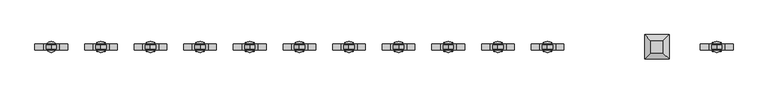
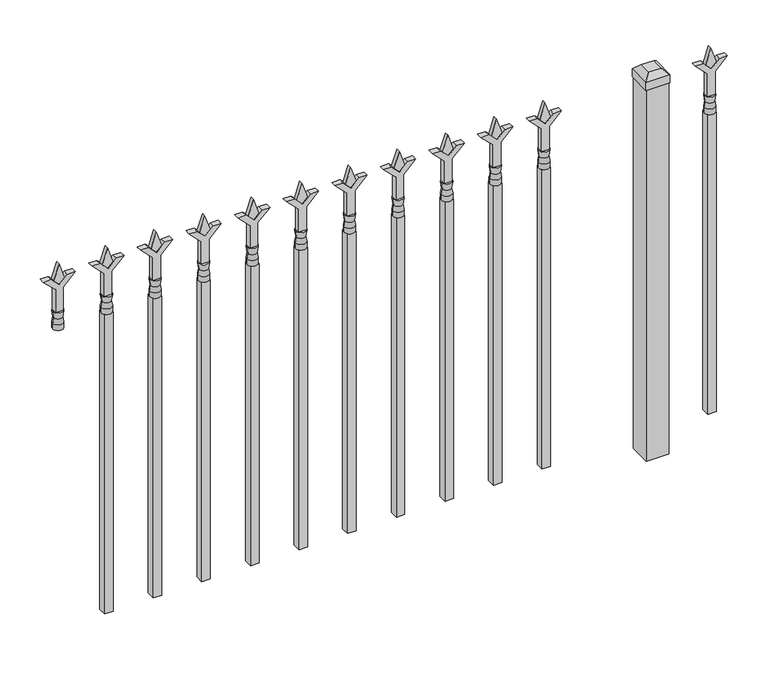
"""IFC4 building model written with IfcOpenShell, lengths in millimetres: railing geometry."""

from ifc_helpers import new_model, si_unit, frame, origin, origin_with_axes, place, context, project, spatial, polyline, circle_curve, outline, extrude, faceted_brep, source, transform, mapped, element, save
from ifc_brep_helpers import plane_surface, cylinder_surface, revolved_surface, advanced_brep


def railing_83fd5f95(model_context):
    return source(origin(), model_context, "Body", "SolidModel", [
        extrude(outline(polyline([(878.68125, -90081.449337), (914.4, -90093.355587), (878.68125, -90105.261837), (866.775, -90093.355587), (878.68125, -90081.449337)])), frame((0.0, -640.0195174, 0.0), z_axis=(0.0, 1.0, 0.0), x_axis=(0.0, 0.0, 1.0)), (0.0, 0.0, 1.0), 9.525),
        extrude(outline(polyline([(803.275, -90084.624337), (857.5457378, -90084.624337), (884.7355122, -90057.4345625), (884.7355122, -90075.3950747), (866.775, -90093.355587), (884.7355122, -90111.3160992), (884.7355122, -90129.2766114), (857.5457378, -90102.086837), (803.275, -90102.086837), (803.275, -90084.624337)])), frame((0.0, -641.6070174, 0.0), z_axis=(0.0, 1.0, 0.0), x_axis=(0.0, 0.0, 1.0)), (0.0, 0.0, 1.0), 12.7),
        advanced_brep(
        [(-90081.449337, -635.2570174, 774.7), (-90105.261837, -635.2570174, 774.7), (-90105.261837, -635.2570174, 762.0), (-90081.449337, -635.2570174, 762.0), (-90083.6546688, -635.2570174, 787.2070585), (-90103.0565051, -635.2570174, 787.2070585), (-90081.449337, -635.2570174, 803.275), (-90105.261837, -635.2570174, 803.275), (-90093.355587, -635.2570174, 803.275), (-90093.355587, -635.2570174, 762.0)],
        [
            (0, 1, circle_curve(frame((-90093.355587, -635.2570174, 774.7), z_axis=(0.0, 0.0, -1.0), x_axis=(-1.0, 0.0, 0.0)), 11.90625)),
            (1, 2),
            (2, 3, circle_curve(frame((-90093.355587, -635.2570174, 762.0), z_axis=(0.0, 0.0, 1.0), x_axis=(-1.0, 0.0, 0.0)), 11.90625)),
            (3, 0),
            (1, 0, circle_curve(frame((-90093.355587, -635.2570174, 774.7), z_axis=(0.0, 0.0, -1.0), x_axis=(-1.0, 0.0, 0.0)), 11.90625)),
            (3, 2, circle_curve(frame((-90093.355587, -635.2570174, 762.0), z_axis=(0.0, 0.0, 1.0), x_axis=(-1.0, 0.0, 0.0)), 11.90625)),
            (4, 5, circle_curve(frame((-90093.355587, -635.2570174, 787.2070585), z_axis=(0.0, 0.0, -1.0), x_axis=(-1.0, 0.0, 0.0)), 9.7009181)),
            (5, 1),
            (0, 4),
            (5, 4, circle_curve(frame((-90093.355587, -635.2570174, 787.2070585), z_axis=(0.0, 0.0, -1.0), x_axis=(-1.0, 0.0, 0.0)), 9.7009181)),
            (6, 7, circle_curve(frame((-90093.355587, -635.2570174, 803.275), z_axis=(0.0, 0.0, -1.0), x_axis=(-1.0, 0.0, 0.0)), 11.90625)),
            (7, 5),
            (4, 6),
            (7, 6, circle_curve(frame((-90093.355587, -635.2570174, 803.275), z_axis=(0.0, 0.0, -1.0), x_axis=(-1.0, 0.0, 0.0)), 11.90625)),
            (8, 7),
            (6, 8),
            (2, 9),
            (9, 3),
        ],
        [
            cylinder_surface(frame((-90093.355587, -635.2570174, 762.0), z_axis=(0.0, 0.0, 1.0), x_axis=(-1.0, 0.0, 0.0)), 11.90625),
            revolved_surface(polyline([(-90105.261837, -635.2570174, 774.7), (-90103.0565051, -635.2570174, 787.2070585)]), (-90093.355587, -635.2570174, 762.0), (0.0, 0.0, 1.0)),
            revolved_surface(polyline([(-90103.0565051, -635.2570174, 787.2070585), (-90105.261837, -635.2570174, 803.275)]), (-90093.355587, -635.2570174, 762.0), (0.0, 0.0, 1.0)),
            plane_surface(frame((-90093.355587, -635.2570174, 803.275), z_axis=(0.0, 0.0, 1.0), x_axis=(-1.0, 0.0, 0.0))),
            plane_surface(frame((-90093.355587, -635.2570174, 762.0), z_axis=(0.0, 0.0, -1.0), x_axis=(-1.0, 0.0, 0.0))),
        ],
        [
            (0, [[1, 2, 3, 4]]),
            (0, [[5, -4, 6, -2]]),
            (1, [[7, 8, -1, 9]]),
            (1, [[10, -9, -5, -8]]),
            (2, [[11, 12, -7, 13]]),
            (2, [[14, -13, -10, -12]]),
            (3, [[15, -11, 16]]),
            (3, [[-16, -14, -15]]),
            (4, [[-3, 17, 18]]),
            (4, [[-6, -18, -17]]),
        ],
    ),
        extrude(outline(polyline([(-90102.880587, -625.7320174), (-90083.830587, -625.7320174), (-90083.830587, -644.7820174), (-90102.880587, -644.7820174), (-90102.880587, -625.7320174)])), frame((0.0, 0.0, 50.8), z_axis=(0.0, 0.0, 1.0), x_axis=(1.0, 0.0, 0.0)), (0.0, 0.0, 1.0), 711.2),
        faceted_brep([(-90252.105587, -608.2695174, 901.7), (-90252.105587, -608.2695174, 882.65), (-90252.105587, -662.2445174, 882.65), (-90252.105587, -662.2445174, 901.7), (-90239.405587, -620.9695174, 914.4), (-90239.405587, -649.5445174, 914.4), (-90198.130587, -662.2445174, 882.65), (-90198.130587, -662.2445174, 901.7), (-90210.830587, -649.5445174, 914.4), (-90198.130587, -608.2695174, 882.65), (-90198.130587, -608.2695174, 901.7), (-90210.830587, -620.9695174, 914.4)], [[[0, 1, 2, 3]], [[4, 0, 3, 5]], [[3, 2, 6, 7]], [[5, 3, 7, 8]], [[7, 6, 9, 10]], [[8, 7, 10, 11]], [[10, 9, 1, 0]], [[11, 10, 0, 4]], [[5, 8, 11, 4]], [[1, 9, 6, 2]]]),
        extrude(outline(polyline([(-90199.718087, -609.8570174), (-90199.718087, -660.6570174), (-90250.518087, -660.6570174), (-90250.518087, -609.8570174), (-90199.718087, -609.8570174)])), origin_with_axes(), (0.0, 0.0, 1.0), 882.65),
        extrude(outline(polyline([(878.68125, -90454.2472536), (914.4, -90466.1535036), (878.68125, -90478.0597536), (866.775, -90466.1535036), (878.68125, -90454.2472536)])), frame((0.0, -640.0195174, 0.0), z_axis=(0.0, 1.0, 0.0), x_axis=(0.0, 0.0, 1.0)), (0.0, 0.0, 1.0), 9.525),
        extrude(outline(polyline([(803.275, -90457.4222536), (857.5457378, -90457.4222536), (884.7355122, -90430.2324791), (884.7355122, -90448.1929914), (866.775, -90466.1535036), (884.7355122, -90484.1140159), (884.7355122, -90502.0745281), (857.5457378, -90474.8847536), (803.275, -90474.8847536), (803.275, -90457.4222536)])), frame((0.0, -641.6070174, 0.0), z_axis=(0.0, 1.0, 0.0), x_axis=(0.0, 0.0, 1.0)), (0.0, 0.0, 1.0), 12.7),
        advanced_brep(
        [(-90454.2472536, -635.2570174, 774.7), (-90478.0597536, -635.2570174, 774.7), (-90478.0597536, -635.2570174, 762.0), (-90454.2472536, -635.2570174, 762.0), (-90456.4525855, -635.2570174, 787.2070585), (-90475.8544218, -635.2570174, 787.2070585), (-90454.2472536, -635.2570174, 803.275), (-90478.0597536, -635.2570174, 803.275), (-90466.1535036, -635.2570174, 803.275), (-90466.1535036, -635.2570174, 762.0)],
        [
            (0, 1, circle_curve(frame((-90466.1535036, -635.2570174, 774.7), z_axis=(0.0, 0.0, -1.0), x_axis=(-1.0, 0.0, 0.0)), 11.90625)),
            (1, 2),
            (2, 3, circle_curve(frame((-90466.1535036, -635.2570174, 762.0), z_axis=(0.0, 0.0, 1.0), x_axis=(-1.0, 0.0, 0.0)), 11.90625)),
            (3, 0),
            (1, 0, circle_curve(frame((-90466.1535036, -635.2570174, 774.7), z_axis=(0.0, 0.0, -1.0), x_axis=(-1.0, 0.0, 0.0)), 11.90625)),
            (3, 2, circle_curve(frame((-90466.1535036, -635.2570174, 762.0), z_axis=(0.0, 0.0, 1.0), x_axis=(-1.0, 0.0, 0.0)), 11.90625)),
            (4, 5, circle_curve(frame((-90466.1535036, -635.2570174, 787.2070585), z_axis=(0.0, 0.0, -1.0), x_axis=(-1.0, 0.0, 0.0)), 9.7009181)),
            (5, 1),
            (0, 4),
            (5, 4, circle_curve(frame((-90466.1535036, -635.2570174, 787.2070585), z_axis=(0.0, 0.0, -1.0), x_axis=(-1.0, 0.0, 0.0)), 9.7009181)),
            (6, 7, circle_curve(frame((-90466.1535036, -635.2570174, 803.275), z_axis=(0.0, 0.0, -1.0), x_axis=(-1.0, 0.0, 0.0)), 11.90625)),
            (7, 5),
            (4, 6),
            (7, 6, circle_curve(frame((-90466.1535036, -635.2570174, 803.275), z_axis=(0.0, 0.0, -1.0), x_axis=(-1.0, 0.0, 0.0)), 11.90625)),
            (8, 7),
            (6, 8),
            (2, 9),
            (9, 3),
        ],
        [
            cylinder_surface(frame((-90466.1535036, -635.2570174, 762.0), z_axis=(0.0, 0.0, 1.0), x_axis=(-1.0, 0.0, 0.0)), 11.90625),
            revolved_surface(polyline([(-90478.0597536, -635.2570174, 774.7), (-90475.8544218, -635.2570174, 787.2070585)]), (-90466.1535036, -635.2570174, 762.0), (0.0, 0.0, 1.0)),
            revolved_surface(polyline([(-90475.8544218, -635.2570174, 787.2070585), (-90478.0597536, -635.2570174, 803.275)]), (-90466.1535036, -635.2570174, 762.0), (0.0, 0.0, 1.0)),
            plane_surface(frame((-90466.1535036, -635.2570174, 803.275), z_axis=(0.0, 0.0, 1.0), x_axis=(-1.0, 0.0, 0.0))),
            plane_surface(frame((-90466.1535036, -635.2570174, 762.0), z_axis=(0.0, 0.0, -1.0), x_axis=(-1.0, 0.0, 0.0))),
        ],
        [
            (0, [[1, 2, 3, 4]]),
            (0, [[5, -4, 6, -2]]),
            (1, [[7, 8, -1, 9]]),
            (1, [[10, -9, -5, -8]]),
            (2, [[11, 12, -7, 13]]),
            (2, [[14, -13, -10, -12]]),
            (3, [[15, -11, 16]]),
            (3, [[-16, -14, -15]]),
            (4, [[-3, 17, 18]]),
            (4, [[-6, -18, -17]]),
        ],
    ),
        extrude(outline(polyline([(-90475.6785036, -625.7320174), (-90456.6285036, -625.7320174), (-90456.6285036, -644.7820174), (-90475.6785036, -644.7820174), (-90475.6785036, -625.7320174)])), frame((0.0, 0.0, 50.8), z_axis=(0.0, 0.0, 1.0), x_axis=(1.0, 0.0, 0.0)), (0.0, 0.0, 1.0), 711.2),
        extrude(outline(polyline([(878.68125, -90563.5201703), (914.4, -90575.4264203), (878.68125, -90587.3326703), (866.775, -90575.4264203), (878.68125, -90563.5201703)])), frame((0.0, -640.0195174, 0.0), z_axis=(0.0, 1.0, 0.0), x_axis=(0.0, 0.0, 1.0)), (0.0, 0.0, 1.0), 9.525),
        extrude(outline(polyline([(803.275, -90566.6951703), (857.5457378, -90566.6951703), (884.7355122, -90539.5053958), (884.7355122, -90557.4659081), (866.775, -90575.4264203), (884.7355122, -90593.3869325), (884.7355122, -90611.3474448), (857.5457378, -90584.1576703), (803.275, -90584.1576703), (803.275, -90566.6951703)])), frame((0.0, -641.6070174, 0.0), z_axis=(0.0, 1.0, 0.0), x_axis=(0.0, 0.0, 1.0)), (0.0, 0.0, 1.0), 12.7),
        advanced_brep(
        [(-90563.5201703, -635.2570174, 774.7), (-90587.3326703, -635.2570174, 774.7), (-90587.3326703, -635.2570174, 762.0), (-90563.5201703, -635.2570174, 762.0), (-90565.7255022, -635.2570174, 787.2070585), (-90585.1273384, -635.2570174, 787.2070585), (-90563.5201703, -635.2570174, 803.275), (-90587.3326703, -635.2570174, 803.275), (-90575.4264203, -635.2570174, 803.275), (-90575.4264203, -635.2570174, 762.0)],
        [
            (0, 1, circle_curve(frame((-90575.4264203, -635.2570174, 774.7), z_axis=(0.0, 0.0, -1.0), x_axis=(-1.0, 0.0, 0.0)), 11.90625)),
            (1, 2),
            (2, 3, circle_curve(frame((-90575.4264203, -635.2570174, 762.0), z_axis=(0.0, 0.0, 1.0), x_axis=(-1.0, 0.0, 0.0)), 11.90625)),
            (3, 0),
            (1, 0, circle_curve(frame((-90575.4264203, -635.2570174, 774.7), z_axis=(0.0, 0.0, -1.0), x_axis=(-1.0, 0.0, 0.0)), 11.90625)),
            (3, 2, circle_curve(frame((-90575.4264203, -635.2570174, 762.0), z_axis=(0.0, 0.0, 1.0), x_axis=(-1.0, 0.0, 0.0)), 11.90625)),
            (4, 5, circle_curve(frame((-90575.4264203, -635.2570174, 787.2070585), z_axis=(0.0, 0.0, -1.0), x_axis=(-1.0, 0.0, 0.0)), 9.7009181)),
            (5, 1),
            (0, 4),
            (5, 4, circle_curve(frame((-90575.4264203, -635.2570174, 787.2070585), z_axis=(0.0, 0.0, -1.0), x_axis=(-1.0, 0.0, 0.0)), 9.7009181)),
            (6, 7, circle_curve(frame((-90575.4264203, -635.2570174, 803.275), z_axis=(0.0, 0.0, -1.0), x_axis=(-1.0, 0.0, 0.0)), 11.90625)),
            (7, 5),
            (4, 6),
            (7, 6, circle_curve(frame((-90575.4264203, -635.2570174, 803.275), z_axis=(0.0, 0.0, -1.0), x_axis=(-1.0, 0.0, 0.0)), 11.90625)),
            (8, 7),
            (6, 8),
            (2, 9),
            (9, 3),
        ],
        [
            cylinder_surface(frame((-90575.4264203, -635.2570174, 762.0), z_axis=(0.0, 0.0, 1.0), x_axis=(-1.0, 0.0, 0.0)), 11.90625),
            revolved_surface(polyline([(-90587.3326703, -635.2570174, 774.7), (-90585.1273384, -635.2570174, 787.2070585)]), (-90575.4264203, -635.2570174, 762.0), (0.0, 0.0, 1.0)),
            revolved_surface(polyline([(-90585.1273384, -635.2570174, 787.2070585), (-90587.3326703, -635.2570174, 803.275)]), (-90575.4264203, -635.2570174, 762.0), (0.0, 0.0, 1.0)),
            plane_surface(frame((-90575.4264203, -635.2570174, 803.275), z_axis=(0.0, 0.0, 1.0), x_axis=(-1.0, 0.0, 0.0))),
            plane_surface(frame((-90575.4264203, -635.2570174, 762.0), z_axis=(0.0, 0.0, -1.0), x_axis=(-1.0, 0.0, 0.0))),
        ],
        [
            (0, [[1, 2, 3, 4]]),
            (0, [[5, -4, 6, -2]]),
            (1, [[7, 8, -1, 9]]),
            (1, [[10, -9, -5, -8]]),
            (2, [[11, 12, -7, 13]]),
            (2, [[14, -13, -10, -12]]),
            (3, [[15, -11, 16]]),
            (3, [[-16, -14, -15]]),
            (4, [[-3, 17, 18]]),
            (4, [[-6, -18, -17]]),
        ],
    ),
        extrude(outline(polyline([(-90584.9514203, -625.7320174), (-90565.9014203, -625.7320174), (-90565.9014203, -644.7820174), (-90584.9514203, -644.7820174), (-90584.9514203, -625.7320174)])), frame((0.0, 0.0, 50.8), z_axis=(0.0, 0.0, 1.0), x_axis=(1.0, 0.0, 0.0)), (0.0, 0.0, 1.0), 711.2),
        extrude(outline(polyline([(878.68125, -90672.793087), (914.4, -90684.699337), (878.68125, -90696.605587), (866.775, -90684.699337), (878.68125, -90672.793087)])), frame((0.0, -640.0195174, 0.0), z_axis=(0.0, 1.0, 0.0), x_axis=(0.0, 0.0, 1.0)), (0.0, 0.0, 1.0), 9.525),
        extrude(outline(polyline([(803.275, -90675.968087), (857.5457378, -90675.968087), (884.7355122, -90648.7783125), (884.7355122, -90666.7388247), (866.775, -90684.699337), (884.7355122, -90702.6598492), (884.7355122, -90720.6203614), (857.5457378, -90693.430587), (803.275, -90693.430587), (803.275, -90675.968087)])), frame((0.0, -641.6070174, 0.0), z_axis=(0.0, 1.0, 0.0), x_axis=(0.0, 0.0, 1.0)), (0.0, 0.0, 1.0), 12.7),
        advanced_brep(
        [(-90672.793087, -635.2570174, 774.7), (-90696.605587, -635.2570174, 774.7), (-90696.605587, -635.2570174, 762.0), (-90672.793087, -635.2570174, 762.0), (-90674.9984188, -635.2570174, 787.2070585), (-90694.4002551, -635.2570174, 787.2070585), (-90672.793087, -635.2570174, 803.275), (-90696.605587, -635.2570174, 803.275), (-90684.699337, -635.2570174, 803.275), (-90684.699337, -635.2570174, 762.0)],
        [
            (0, 1, circle_curve(frame((-90684.699337, -635.2570174, 774.7), z_axis=(0.0, 0.0, -1.0), x_axis=(-1.0, 0.0, 0.0)), 11.90625)),
            (1, 2),
            (2, 3, circle_curve(frame((-90684.699337, -635.2570174, 762.0), z_axis=(0.0, 0.0, 1.0), x_axis=(-1.0, 0.0, 0.0)), 11.90625)),
            (3, 0),
            (1, 0, circle_curve(frame((-90684.699337, -635.2570174, 774.7), z_axis=(0.0, 0.0, -1.0), x_axis=(-1.0, 0.0, 0.0)), 11.90625)),
            (3, 2, circle_curve(frame((-90684.699337, -635.2570174, 762.0), z_axis=(0.0, 0.0, 1.0), x_axis=(-1.0, 0.0, 0.0)), 11.90625)),
            (4, 5, circle_curve(frame((-90684.699337, -635.2570174, 787.2070585), z_axis=(0.0, 0.0, -1.0), x_axis=(-1.0, 0.0, 0.0)), 9.7009181)),
            (5, 1),
            (0, 4),
            (5, 4, circle_curve(frame((-90684.699337, -635.2570174, 787.2070585), z_axis=(0.0, 0.0, -1.0), x_axis=(-1.0, 0.0, 0.0)), 9.7009181)),
            (6, 7, circle_curve(frame((-90684.699337, -635.2570174, 803.275), z_axis=(0.0, 0.0, -1.0), x_axis=(-1.0, 0.0, 0.0)), 11.90625)),
            (7, 5),
            (4, 6),
            (7, 6, circle_curve(frame((-90684.699337, -635.2570174, 803.275), z_axis=(0.0, 0.0, -1.0), x_axis=(-1.0, 0.0, 0.0)), 11.90625)),
            (8, 7),
            (6, 8),
            (2, 9),
            (9, 3),
        ],
        [
            cylinder_surface(frame((-90684.699337, -635.2570174, 762.0), z_axis=(0.0, 0.0, 1.0), x_axis=(-1.0, 0.0, 0.0)), 11.90625),
            revolved_surface(polyline([(-90696.605587, -635.2570174, 774.7), (-90694.4002551, -635.2570174, 787.2070585)]), (-90684.699337, -635.2570174, 762.0), (0.0, 0.0, 1.0)),
            revolved_surface(polyline([(-90694.4002551, -635.2570174, 787.2070585), (-90696.605587, -635.2570174, 803.275)]), (-90684.699337, -635.2570174, 762.0), (0.0, 0.0, 1.0)),
            plane_surface(frame((-90684.699337, -635.2570174, 803.275), z_axis=(0.0, 0.0, 1.0), x_axis=(-1.0, 0.0, 0.0))),
            plane_surface(frame((-90684.699337, -635.2570174, 762.0), z_axis=(0.0, 0.0, -1.0), x_axis=(-1.0, 0.0, 0.0))),
        ],
        [
            (0, [[1, 2, 3, 4]]),
            (0, [[5, -4, 6, -2]]),
            (1, [[7, 8, -1, 9]]),
            (1, [[10, -9, -5, -8]]),
            (2, [[11, 12, -7, 13]]),
            (2, [[14, -13, -10, -12]]),
            (3, [[15, -11, 16]]),
            (3, [[-16, -14, -15]]),
            (4, [[-3, 17, 18]]),
            (4, [[-6, -18, -17]]),
        ],
    ),
        extrude(outline(polyline([(-90694.224337, -625.7320174), (-90675.174337, -625.7320174), (-90675.174337, -644.7820174), (-90694.224337, -644.7820174), (-90694.224337, -625.7320174)])), frame((0.0, 0.0, 50.8), z_axis=(0.0, 0.0, 1.0), x_axis=(1.0, 0.0, 0.0)), (0.0, 0.0, 1.0), 711.2),
        extrude(outline(polyline([(878.68125, -90782.0660036), (914.4, -90793.9722536), (878.68125, -90805.8785036), (866.775, -90793.9722536), (878.68125, -90782.0660036)])), frame((0.0, -640.0195174, 0.0), z_axis=(0.0, 1.0, 0.0), x_axis=(0.0, 0.0, 1.0)), (0.0, 0.0, 1.0), 9.525),
        extrude(outline(polyline([(803.275, -90785.2410036), (857.5457378, -90785.2410036), (884.7355122, -90758.0512291), (884.7355122, -90776.0117414), (866.775, -90793.9722536), (884.7355122, -90811.9327659), (884.7355122, -90829.8932781), (857.5457378, -90802.7035036), (803.275, -90802.7035036), (803.275, -90785.2410036)])), frame((0.0, -641.6070174, 0.0), z_axis=(0.0, 1.0, 0.0), x_axis=(0.0, 0.0, 1.0)), (0.0, 0.0, 1.0), 12.7),
        advanced_brep(
        [(-90782.0660036, -635.2570174, 774.7), (-90805.8785036, -635.2570174, 774.7), (-90805.8785036, -635.2570174, 762.0), (-90782.0660036, -635.2570174, 762.0), (-90784.2713355, -635.2570174, 787.2070585), (-90803.6731718, -635.2570174, 787.2070585), (-90782.0660036, -635.2570174, 803.275), (-90805.8785036, -635.2570174, 803.275), (-90793.9722536, -635.2570174, 803.275), (-90793.9722536, -635.2570174, 762.0)],
        [
            (0, 1, circle_curve(frame((-90793.9722536, -635.2570174, 774.7), z_axis=(0.0, 0.0, -1.0), x_axis=(-1.0, 0.0, 0.0)), 11.90625)),
            (1, 2),
            (2, 3, circle_curve(frame((-90793.9722536, -635.2570174, 762.0), z_axis=(0.0, 0.0, 1.0), x_axis=(-1.0, 0.0, 0.0)), 11.90625)),
            (3, 0),
            (1, 0, circle_curve(frame((-90793.9722536, -635.2570174, 774.7), z_axis=(0.0, 0.0, -1.0), x_axis=(-1.0, 0.0, 0.0)), 11.90625)),
            (3, 2, circle_curve(frame((-90793.9722536, -635.2570174, 762.0), z_axis=(0.0, 0.0, 1.0), x_axis=(-1.0, 0.0, 0.0)), 11.90625)),
            (4, 5, circle_curve(frame((-90793.9722536, -635.2570174, 787.2070585), z_axis=(0.0, 0.0, -1.0), x_axis=(-1.0, 0.0, 0.0)), 9.7009181)),
            (5, 1),
            (0, 4),
            (5, 4, circle_curve(frame((-90793.9722536, -635.2570174, 787.2070585), z_axis=(0.0, 0.0, -1.0), x_axis=(-1.0, 0.0, 0.0)), 9.7009181)),
            (6, 7, circle_curve(frame((-90793.9722536, -635.2570174, 803.275), z_axis=(0.0, 0.0, -1.0), x_axis=(-1.0, 0.0, 0.0)), 11.90625)),
            (7, 5),
            (4, 6),
            (7, 6, circle_curve(frame((-90793.9722536, -635.2570174, 803.275), z_axis=(0.0, 0.0, -1.0), x_axis=(-1.0, 0.0, 0.0)), 11.90625)),
            (8, 7),
            (6, 8),
            (2, 9),
            (9, 3),
        ],
        [
            cylinder_surface(frame((-90793.9722536, -635.2570174, 762.0), z_axis=(0.0, 0.0, 1.0), x_axis=(-1.0, 0.0, 0.0)), 11.90625),
            revolved_surface(polyline([(-90805.8785036, -635.2570174, 774.7), (-90803.6731718, -635.2570174, 787.2070585)]), (-90793.9722536, -635.2570174, 762.0), (0.0, 0.0, 1.0)),
            revolved_surface(polyline([(-90803.6731718, -635.2570174, 787.2070585), (-90805.8785036, -635.2570174, 803.275)]), (-90793.9722536, -635.2570174, 762.0), (0.0, 0.0, 1.0)),
            plane_surface(frame((-90793.9722536, -635.2570174, 803.275), z_axis=(0.0, 0.0, 1.0), x_axis=(-1.0, 0.0, 0.0))),
            plane_surface(frame((-90793.9722536, -635.2570174, 762.0), z_axis=(0.0, 0.0, -1.0), x_axis=(-1.0, 0.0, 0.0))),
        ],
        [
            (0, [[1, 2, 3, 4]]),
            (0, [[5, -4, 6, -2]]),
            (1, [[7, 8, -1, 9]]),
            (1, [[10, -9, -5, -8]]),
            (2, [[11, 12, -7, 13]]),
            (2, [[14, -13, -10, -12]]),
            (3, [[15, -11, 16]]),
            (3, [[-16, -14, -15]]),
            (4, [[-3, 17, 18]]),
            (4, [[-6, -18, -17]]),
        ],
    ),
        extrude(outline(polyline([(-90803.4972536, -625.7320174), (-90784.4472536, -625.7320174), (-90784.4472536, -644.7820174), (-90803.4972536, -644.7820174), (-90803.4972536, -625.7320174)])), frame((0.0, 0.0, 50.8), z_axis=(0.0, 0.0, 1.0), x_axis=(1.0, 0.0, 0.0)), (0.0, 0.0, 1.0), 711.2),
        extrude(outline(polyline([(878.68125, -90891.3389203), (914.4, -90903.2451703), (878.68125, -90915.1514203), (866.775, -90903.2451703), (878.68125, -90891.3389203)])), frame((0.0, -640.0195174, 0.0), z_axis=(0.0, 1.0, 0.0), x_axis=(0.0, 0.0, 1.0)), (0.0, 0.0, 1.0), 9.525),
        extrude(outline(polyline([(803.275, -90894.5139203), (857.5457378, -90894.5139203), (884.7355122, -90867.3241458), (884.7355122, -90885.2846581), (866.775, -90903.2451703), (884.7355122, -90921.2056825), (884.7355122, -90939.1661948), (857.5457378, -90911.9764203), (803.275, -90911.9764203), (803.275, -90894.5139203)])), frame((0.0, -641.6070174, 0.0), z_axis=(0.0, 1.0, 0.0), x_axis=(0.0, 0.0, 1.0)), (0.0, 0.0, 1.0), 12.7),
        advanced_brep(
        [(-90891.3389203, -635.2570174, 774.7), (-90915.1514203, -635.2570174, 774.7), (-90915.1514203, -635.2570174, 762.0), (-90891.3389203, -635.2570174, 762.0), (-90893.5442522, -635.2570174, 787.2070585), (-90912.9460884, -635.2570174, 787.2070585), (-90891.3389203, -635.2570174, 803.275), (-90915.1514203, -635.2570174, 803.275), (-90903.2451703, -635.2570174, 803.275), (-90903.2451703, -635.2570174, 762.0)],
        [
            (0, 1, circle_curve(frame((-90903.2451703, -635.2570174, 774.7), z_axis=(0.0, 0.0, -1.0), x_axis=(-1.0, 0.0, 0.0)), 11.90625)),
            (1, 2),
            (2, 3, circle_curve(frame((-90903.2451703, -635.2570174, 762.0), z_axis=(0.0, 0.0, 1.0), x_axis=(-1.0, 0.0, 0.0)), 11.90625)),
            (3, 0),
            (1, 0, circle_curve(frame((-90903.2451703, -635.2570174, 774.7), z_axis=(0.0, 0.0, -1.0), x_axis=(-1.0, 0.0, 0.0)), 11.90625)),
            (3, 2, circle_curve(frame((-90903.2451703, -635.2570174, 762.0), z_axis=(0.0, 0.0, 1.0), x_axis=(-1.0, 0.0, 0.0)), 11.90625)),
            (4, 5, circle_curve(frame((-90903.2451703, -635.2570174, 787.2070585), z_axis=(0.0, 0.0, -1.0), x_axis=(-1.0, 0.0, 0.0)), 9.7009181)),
            (5, 1),
            (0, 4),
            (5, 4, circle_curve(frame((-90903.2451703, -635.2570174, 787.2070585), z_axis=(0.0, 0.0, -1.0), x_axis=(-1.0, 0.0, 0.0)), 9.7009181)),
            (6, 7, circle_curve(frame((-90903.2451703, -635.2570174, 803.275), z_axis=(0.0, 0.0, -1.0), x_axis=(-1.0, 0.0, 0.0)), 11.90625)),
            (7, 5),
            (4, 6),
            (7, 6, circle_curve(frame((-90903.2451703, -635.2570174, 803.275), z_axis=(0.0, 0.0, -1.0), x_axis=(-1.0, 0.0, 0.0)), 11.90625)),
            (8, 7),
            (6, 8),
            (2, 9),
            (9, 3),
        ],
        [
            cylinder_surface(frame((-90903.2451703, -635.2570174, 762.0), z_axis=(0.0, 0.0, 1.0), x_axis=(-1.0, 0.0, 0.0)), 11.90625),
            revolved_surface(polyline([(-90915.1514203, -635.2570174, 774.7), (-90912.9460884, -635.2570174, 787.2070585)]), (-90903.2451703, -635.2570174, 762.0), (0.0, 0.0, 1.0)),
            revolved_surface(polyline([(-90912.9460884, -635.2570174, 787.2070585), (-90915.1514203, -635.2570174, 803.275)]), (-90903.2451703, -635.2570174, 762.0), (0.0, 0.0, 1.0)),
            plane_surface(frame((-90903.2451703, -635.2570174, 803.275), z_axis=(0.0, 0.0, 1.0), x_axis=(-1.0, 0.0, 0.0))),
            plane_surface(frame((-90903.2451703, -635.2570174, 762.0), z_axis=(0.0, 0.0, -1.0), x_axis=(-1.0, 0.0, 0.0))),
        ],
        [
            (0, [[1, 2, 3, 4]]),
            (0, [[5, -4, 6, -2]]),
            (1, [[7, 8, -1, 9]]),
            (1, [[10, -9, -5, -8]]),
            (2, [[11, 12, -7, 13]]),
            (2, [[14, -13, -10, -12]]),
            (3, [[15, -11, 16]]),
            (3, [[-16, -14, -15]]),
            (4, [[-3, 17, 18]]),
            (4, [[-6, -18, -17]]),
        ],
    ),
        extrude(outline(polyline([(-90912.7701703, -625.7320174), (-90893.7201703, -625.7320174), (-90893.7201703, -644.7820174), (-90912.7701703, -644.7820174), (-90912.7701703, -625.7320174)])), frame((0.0, 0.0, 50.8), z_axis=(0.0, 0.0, 1.0), x_axis=(1.0, 0.0, 0.0)), (0.0, 0.0, 1.0), 711.2),
        extrude(outline(polyline([(878.68125, -91000.611837), (914.4, -91012.518087), (878.68125, -91024.424337), (866.775, -91012.518087), (878.68125, -91000.611837)])), frame((0.0, -640.0195174, 0.0), z_axis=(0.0, 1.0, 0.0), x_axis=(0.0, 0.0, 1.0)), (0.0, 0.0, 1.0), 9.525),
        extrude(outline(polyline([(803.275, -91003.786837), (857.5457378, -91003.786837), (884.7355122, -90976.5970625), (884.7355122, -90994.5575747), (866.775, -91012.518087), (884.7355122, -91030.4785992), (884.7355122, -91048.4391114), (857.5457378, -91021.249337), (803.275, -91021.249337), (803.275, -91003.786837)])), frame((0.0, -641.6070174, 0.0), z_axis=(0.0, 1.0, 0.0), x_axis=(0.0, 0.0, 1.0)), (0.0, 0.0, 1.0), 12.7),
        advanced_brep(
        [(-91000.611837, -635.2570174, 774.7), (-91024.424337, -635.2570174, 774.7), (-91024.424337, -635.2570174, 762.0), (-91000.611837, -635.2570174, 762.0), (-91002.8171688, -635.2570174, 787.2070585), (-91022.2190051, -635.2570174, 787.2070585), (-91000.611837, -635.2570174, 803.275), (-91024.424337, -635.2570174, 803.275), (-91012.518087, -635.2570174, 803.275), (-91012.518087, -635.2570174, 762.0)],
        [
            (0, 1, circle_curve(frame((-91012.518087, -635.2570174, 774.7), z_axis=(0.0, 0.0, -1.0), x_axis=(-1.0, 0.0, 0.0)), 11.90625)),
            (1, 2),
            (2, 3, circle_curve(frame((-91012.518087, -635.2570174, 762.0), z_axis=(0.0, 0.0, 1.0), x_axis=(-1.0, 0.0, 0.0)), 11.90625)),
            (3, 0),
            (1, 0, circle_curve(frame((-91012.518087, -635.2570174, 774.7), z_axis=(0.0, 0.0, -1.0), x_axis=(-1.0, 0.0, 0.0)), 11.90625)),
            (3, 2, circle_curve(frame((-91012.518087, -635.2570174, 762.0), z_axis=(0.0, 0.0, 1.0), x_axis=(-1.0, 0.0, 0.0)), 11.90625)),
            (4, 5, circle_curve(frame((-91012.518087, -635.2570174, 787.2070585), z_axis=(0.0, 0.0, -1.0), x_axis=(-1.0, 0.0, 0.0)), 9.7009181)),
            (5, 1),
            (0, 4),
            (5, 4, circle_curve(frame((-91012.518087, -635.2570174, 787.2070585), z_axis=(0.0, 0.0, -1.0), x_axis=(-1.0, 0.0, 0.0)), 9.7009181)),
            (6, 7, circle_curve(frame((-91012.518087, -635.2570174, 803.275), z_axis=(0.0, 0.0, -1.0), x_axis=(-1.0, 0.0, 0.0)), 11.90625)),
            (7, 5),
            (4, 6),
            (7, 6, circle_curve(frame((-91012.518087, -635.2570174, 803.275), z_axis=(0.0, 0.0, -1.0), x_axis=(-1.0, 0.0, 0.0)), 11.90625)),
            (8, 7),
            (6, 8),
            (2, 9),
            (9, 3),
        ],
        [
            cylinder_surface(frame((-91012.518087, -635.2570174, 762.0), z_axis=(0.0, 0.0, 1.0), x_axis=(-1.0, 0.0, 0.0)), 11.90625),
            revolved_surface(polyline([(-91024.424337, -635.2570174, 774.7), (-91022.2190051, -635.2570174, 787.2070585)]), (-91012.518087, -635.2570174, 762.0), (0.0, 0.0, 1.0)),
            revolved_surface(polyline([(-91022.2190051, -635.2570174, 787.2070585), (-91024.424337, -635.2570174, 803.275)]), (-91012.518087, -635.2570174, 762.0), (0.0, 0.0, 1.0)),
            plane_surface(frame((-91012.518087, -635.2570174, 803.275), z_axis=(0.0, 0.0, 1.0), x_axis=(-1.0, 0.0, 0.0))),
            plane_surface(frame((-91012.518087, -635.2570174, 762.0), z_axis=(0.0, 0.0, -1.0), x_axis=(-1.0, 0.0, 0.0))),
        ],
        [
            (0, [[1, 2, 3, 4]]),
            (0, [[5, -4, 6, -2]]),
            (1, [[7, 8, -1, 9]]),
            (1, [[10, -9, -5, -8]]),
            (2, [[11, 12, -7, 13]]),
            (2, [[14, -13, -10, -12]]),
            (3, [[15, -11, 16]]),
            (3, [[-16, -14, -15]]),
            (4, [[-3, 17, 18]]),
            (4, [[-6, -18, -17]]),
        ],
    ),
        extrude(outline(polyline([(-91022.043087, -625.7320174), (-91002.993087, -625.7320174), (-91002.993087, -644.7820174), (-91022.043087, -644.7820174), (-91022.043087, -625.7320174)])), frame((0.0, 0.0, 50.8), z_axis=(0.0, 0.0, 1.0), x_axis=(1.0, 0.0, 0.0)), (0.0, 0.0, 1.0), 711.2),
        extrude(outline(polyline([(878.68125, -91109.8847536), (914.4, -91121.7910036), (878.68125, -91133.6972536), (866.775, -91121.7910036), (878.68125, -91109.8847536)])), frame((0.0, -640.0195174, 0.0), z_axis=(0.0, 1.0, 0.0), x_axis=(0.0, 0.0, 1.0)), (0.0, 0.0, 1.0), 9.525),
        extrude(outline(polyline([(803.275, -91113.0597536), (857.5457378, -91113.0597536), (884.7355122, -91085.8699791), (884.7355122, -91103.8304914), (866.775, -91121.7910036), (884.7355122, -91139.7515159), (884.7355122, -91157.7120281), (857.5457378, -91130.5222536), (803.275, -91130.5222536), (803.275, -91113.0597536)])), frame((0.0, -641.6070174, 0.0), z_axis=(0.0, 1.0, 0.0), x_axis=(0.0, 0.0, 1.0)), (0.0, 0.0, 1.0), 12.7),
        advanced_brep(
        [(-91109.8847536, -635.2570174, 774.7), (-91133.6972536, -635.2570174, 774.7), (-91133.6972536, -635.2570174, 762.0), (-91109.8847536, -635.2570174, 762.0), (-91112.0900855, -635.2570174, 787.2070585), (-91131.4919218, -635.2570174, 787.2070585), (-91109.8847536, -635.2570174, 803.275), (-91133.6972536, -635.2570174, 803.275), (-91121.7910036, -635.2570174, 803.275), (-91121.7910036, -635.2570174, 762.0)],
        [
            (0, 1, circle_curve(frame((-91121.7910036, -635.2570174, 774.7), z_axis=(0.0, 0.0, -1.0), x_axis=(-1.0, 0.0, 0.0)), 11.90625)),
            (1, 2),
            (2, 3, circle_curve(frame((-91121.7910036, -635.2570174, 762.0), z_axis=(0.0, 0.0, 1.0), x_axis=(-1.0, 0.0, 0.0)), 11.90625)),
            (3, 0),
            (1, 0, circle_curve(frame((-91121.7910036, -635.2570174, 774.7), z_axis=(0.0, 0.0, -1.0), x_axis=(-1.0, 0.0, 0.0)), 11.90625)),
            (3, 2, circle_curve(frame((-91121.7910036, -635.2570174, 762.0), z_axis=(0.0, 0.0, 1.0), x_axis=(-1.0, 0.0, 0.0)), 11.90625)),
            (4, 5, circle_curve(frame((-91121.7910036, -635.2570174, 787.2070585), z_axis=(0.0, 0.0, -1.0), x_axis=(-1.0, 0.0, 0.0)), 9.7009181)),
            (5, 1),
            (0, 4),
            (5, 4, circle_curve(frame((-91121.7910036, -635.2570174, 787.2070585), z_axis=(0.0, 0.0, -1.0), x_axis=(-1.0, 0.0, 0.0)), 9.7009181)),
            (6, 7, circle_curve(frame((-91121.7910036, -635.2570174, 803.275), z_axis=(0.0, 0.0, -1.0), x_axis=(-1.0, 0.0, 0.0)), 11.90625)),
            (7, 5),
            (4, 6),
            (7, 6, circle_curve(frame((-91121.7910036, -635.2570174, 803.275), z_axis=(0.0, 0.0, -1.0), x_axis=(-1.0, 0.0, 0.0)), 11.90625)),
            (8, 7),
            (6, 8),
            (2, 9),
            (9, 3),
        ],
        [
            cylinder_surface(frame((-91121.7910036, -635.2570174, 762.0), z_axis=(0.0, 0.0, 1.0), x_axis=(-1.0, 0.0, 0.0)), 11.90625),
            revolved_surface(polyline([(-91133.6972536, -635.2570174, 774.7), (-91131.4919218, -635.2570174, 787.2070585)]), (-91121.7910036, -635.2570174, 762.0), (0.0, 0.0, 1.0)),
            revolved_surface(polyline([(-91131.4919218, -635.2570174, 787.2070585), (-91133.6972536, -635.2570174, 803.275)]), (-91121.7910036, -635.2570174, 762.0), (0.0, 0.0, 1.0)),
            plane_surface(frame((-91121.7910036, -635.2570174, 803.275), z_axis=(0.0, 0.0, 1.0), x_axis=(-1.0, 0.0, 0.0))),
            plane_surface(frame((-91121.7910036, -635.2570174, 762.0), z_axis=(0.0, 0.0, -1.0), x_axis=(-1.0, 0.0, 0.0))),
        ],
        [
            (0, [[1, 2, 3, 4]]),
            (0, [[5, -4, 6, -2]]),
            (1, [[7, 8, -1, 9]]),
            (1, [[10, -9, -5, -8]]),
            (2, [[11, 12, -7, 13]]),
            (2, [[14, -13, -10, -12]]),
            (3, [[15, -11, 16]]),
            (3, [[-16, -14, -15]]),
            (4, [[-3, 17, 18]]),
            (4, [[-6, -18, -17]]),
        ],
    ),
        extrude(outline(polyline([(-91131.3160036, -625.7320174), (-91112.2660036, -625.7320174), (-91112.2660036, -644.7820174), (-91131.3160036, -644.7820174), (-91131.3160036, -625.7320174)])), frame((0.0, 0.0, 50.8), z_axis=(0.0, 0.0, 1.0), x_axis=(1.0, 0.0, 0.0)), (0.0, 0.0, 1.0), 711.2),
        extrude(outline(polyline([(878.68125, -91219.1576703), (914.4, -91231.0639203), (878.68125, -91242.9701703), (866.775, -91231.0639203), (878.68125, -91219.1576703)])), frame((0.0, -640.0195174, 0.0), z_axis=(0.0, 1.0, 0.0), x_axis=(0.0, 0.0, 1.0)), (0.0, 0.0, 1.0), 9.525),
        extrude(outline(polyline([(803.275, -91222.3326703), (857.5457378, -91222.3326703), (884.7355122, -91195.1428958), (884.7355122, -91213.1034081), (866.775, -91231.0639203), (884.7355122, -91249.0244325), (884.7355122, -91266.9849448), (857.5457378, -91239.7951703), (803.275, -91239.7951703), (803.275, -91222.3326703)])), frame((0.0, -641.6070174, 0.0), z_axis=(0.0, 1.0, 0.0), x_axis=(0.0, 0.0, 1.0)), (0.0, 0.0, 1.0), 12.7),
        advanced_brep(
        [(-91219.1576703, -635.2570174, 774.7), (-91242.9701703, -635.2570174, 774.7), (-91242.9701703, -635.2570174, 762.0), (-91219.1576703, -635.2570174, 762.0), (-91221.3630022, -635.2570174, 787.2070585), (-91240.7648384, -635.2570174, 787.2070585), (-91219.1576703, -635.2570174, 803.275), (-91242.9701703, -635.2570174, 803.275), (-91231.0639203, -635.2570174, 803.275), (-91231.0639203, -635.2570174, 762.0)],
        [
            (0, 1, circle_curve(frame((-91231.0639203, -635.2570174, 774.7), z_axis=(0.0, 0.0, -1.0), x_axis=(-1.0, 0.0, 0.0)), 11.90625)),
            (1, 2),
            (2, 3, circle_curve(frame((-91231.0639203, -635.2570174, 762.0), z_axis=(0.0, 0.0, 1.0), x_axis=(-1.0, 0.0, 0.0)), 11.90625)),
            (3, 0),
            (1, 0, circle_curve(frame((-91231.0639203, -635.2570174, 774.7), z_axis=(0.0, 0.0, -1.0), x_axis=(-1.0, 0.0, 0.0)), 11.90625)),
            (3, 2, circle_curve(frame((-91231.0639203, -635.2570174, 762.0), z_axis=(0.0, 0.0, 1.0), x_axis=(-1.0, 0.0, 0.0)), 11.90625)),
            (4, 5, circle_curve(frame((-91231.0639203, -635.2570174, 787.2070585), z_axis=(0.0, 0.0, -1.0), x_axis=(-1.0, 0.0, 0.0)), 9.7009181)),
            (5, 1),
            (0, 4),
            (5, 4, circle_curve(frame((-91231.0639203, -635.2570174, 787.2070585), z_axis=(0.0, 0.0, -1.0), x_axis=(-1.0, 0.0, 0.0)), 9.7009181)),
            (6, 7, circle_curve(frame((-91231.0639203, -635.2570174, 803.275), z_axis=(0.0, 0.0, -1.0), x_axis=(-1.0, 0.0, 0.0)), 11.90625)),
            (7, 5),
            (4, 6),
            (7, 6, circle_curve(frame((-91231.0639203, -635.2570174, 803.275), z_axis=(0.0, 0.0, -1.0), x_axis=(-1.0, 0.0, 0.0)), 11.90625)),
            (8, 7),
            (6, 8),
            (2, 9),
            (9, 3),
        ],
        [
            cylinder_surface(frame((-91231.0639203, -635.2570174, 762.0), z_axis=(0.0, 0.0, 1.0), x_axis=(-1.0, 0.0, 0.0)), 11.90625),
            revolved_surface(polyline([(-91242.9701703, -635.2570174, 774.7), (-91240.7648384, -635.2570174, 787.2070585)]), (-91231.0639203, -635.2570174, 762.0), (0.0, 0.0, 1.0)),
            revolved_surface(polyline([(-91240.7648384, -635.2570174, 787.2070585), (-91242.9701703, -635.2570174, 803.275)]), (-91231.0639203, -635.2570174, 762.0), (0.0, 0.0, 1.0)),
            plane_surface(frame((-91231.0639203, -635.2570174, 803.275), z_axis=(0.0, 0.0, 1.0), x_axis=(-1.0, 0.0, 0.0))),
            plane_surface(frame((-91231.0639203, -635.2570174, 762.0), z_axis=(0.0, 0.0, -1.0), x_axis=(-1.0, 0.0, 0.0))),
        ],
        [
            (0, [[1, 2, 3, 4]]),
            (0, [[5, -4, 6, -2]]),
            (1, [[7, 8, -1, 9]]),
            (1, [[10, -9, -5, -8]]),
            (2, [[11, 12, -7, 13]]),
            (2, [[14, -13, -10, -12]]),
            (3, [[15, -11, 16]]),
            (3, [[-16, -14, -15]]),
            (4, [[-3, 17, 18]]),
            (4, [[-6, -18, -17]]),
        ],
    ),
        extrude(outline(polyline([(-91240.5889203, -625.7320174), (-91221.5389203, -625.7320174), (-91221.5389203, -644.7820174), (-91240.5889203, -644.7820174), (-91240.5889203, -625.7320174)])), frame((0.0, 0.0, 50.8), z_axis=(0.0, 0.0, 1.0), x_axis=(1.0, 0.0, 0.0)), (0.0, 0.0, 1.0), 711.2),
        extrude(outline(polyline([(878.68125, -91328.430587), (914.4, -91340.336837), (878.68125, -91352.243087), (866.775, -91340.336837), (878.68125, -91328.430587)])), frame((0.0, -640.0195174, 0.0), z_axis=(0.0, 1.0, 0.0), x_axis=(0.0, 0.0, 1.0)), (0.0, 0.0, 1.0), 9.525),
        extrude(outline(polyline([(803.275, -91331.605587), (857.5457378, -91331.605587), (884.7355122, -91304.4158125), (884.7355122, -91322.3763247), (866.775, -91340.336837), (884.7355122, -91358.2973492), (884.7355122, -91376.2578614), (857.5457378, -91349.068087), (803.275, -91349.068087), (803.275, -91331.605587)])), frame((0.0, -641.6070174, 0.0), z_axis=(0.0, 1.0, 0.0), x_axis=(0.0, 0.0, 1.0)), (0.0, 0.0, 1.0), 12.7),
        advanced_brep(
        [(-91328.430587, -635.2570174, 774.7), (-91352.243087, -635.2570174, 774.7), (-91352.243087, -635.2570174, 762.0), (-91328.430587, -635.2570174, 762.0), (-91330.6359188, -635.2570174, 787.2070585), (-91350.0377551, -635.2570174, 787.2070585), (-91328.430587, -635.2570174, 803.275), (-91352.243087, -635.2570174, 803.275), (-91340.336837, -635.2570174, 803.275), (-91340.336837, -635.2570174, 762.0)],
        [
            (0, 1, circle_curve(frame((-91340.336837, -635.2570174, 774.7), z_axis=(0.0, 0.0, -1.0), x_axis=(-1.0, 0.0, 0.0)), 11.90625)),
            (1, 2),
            (2, 3, circle_curve(frame((-91340.336837, -635.2570174, 762.0), z_axis=(0.0, 0.0, 1.0), x_axis=(-1.0, 0.0, 0.0)), 11.90625)),
            (3, 0),
            (1, 0, circle_curve(frame((-91340.336837, -635.2570174, 774.7), z_axis=(0.0, 0.0, -1.0), x_axis=(-1.0, 0.0, 0.0)), 11.90625)),
            (3, 2, circle_curve(frame((-91340.336837, -635.2570174, 762.0), z_axis=(0.0, 0.0, 1.0), x_axis=(-1.0, 0.0, 0.0)), 11.90625)),
            (4, 5, circle_curve(frame((-91340.336837, -635.2570174, 787.2070585), z_axis=(0.0, 0.0, -1.0), x_axis=(-1.0, 0.0, 0.0)), 9.7009181)),
            (5, 1),
            (0, 4),
            (5, 4, circle_curve(frame((-91340.336837, -635.2570174, 787.2070585), z_axis=(0.0, 0.0, -1.0), x_axis=(-1.0, 0.0, 0.0)), 9.7009181)),
            (6, 7, circle_curve(frame((-91340.336837, -635.2570174, 803.275), z_axis=(0.0, 0.0, -1.0), x_axis=(-1.0, 0.0, 0.0)), 11.90625)),
            (7, 5),
            (4, 6),
            (7, 6, circle_curve(frame((-91340.336837, -635.2570174, 803.275), z_axis=(0.0, 0.0, -1.0), x_axis=(-1.0, 0.0, 0.0)), 11.90625)),
            (8, 7),
            (6, 8),
            (2, 9),
            (9, 3),
        ],
        [
            cylinder_surface(frame((-91340.336837, -635.2570174, 762.0), z_axis=(0.0, 0.0, 1.0), x_axis=(-1.0, 0.0, 0.0)), 11.90625),
            revolved_surface(polyline([(-91352.243087, -635.2570174, 774.7), (-91350.0377551, -635.2570174, 787.2070585)]), (-91340.336837, -635.2570174, 762.0), (0.0, 0.0, 1.0)),
            revolved_surface(polyline([(-91350.0377551, -635.2570174, 787.2070585), (-91352.243087, -635.2570174, 803.275)]), (-91340.336837, -635.2570174, 762.0), (0.0, 0.0, 1.0)),
            plane_surface(frame((-91340.336837, -635.2570174, 803.275), z_axis=(0.0, 0.0, 1.0), x_axis=(-1.0, 0.0, 0.0))),
            plane_surface(frame((-91340.336837, -635.2570174, 762.0), z_axis=(0.0, 0.0, -1.0), x_axis=(-1.0, 0.0, 0.0))),
        ],
        [
            (0, [[1, 2, 3, 4]]),
            (0, [[5, -4, 6, -2]]),
            (1, [[7, 8, -1, 9]]),
            (1, [[10, -9, -5, -8]]),
            (2, [[11, 12, -7, 13]]),
            (2, [[14, -13, -10, -12]]),
            (3, [[15, -11, 16]]),
            (3, [[-16, -14, -15]]),
            (4, [[-3, 17, 18]]),
            (4, [[-6, -18, -17]]),
        ],
    ),
        extrude(outline(polyline([(-91349.861837, -625.7320174), (-91330.811837, -625.7320174), (-91330.811837, -644.7820174), (-91349.861837, -644.7820174), (-91349.861837, -625.7320174)])), frame((0.0, 0.0, 50.8), z_axis=(0.0, 0.0, 1.0), x_axis=(1.0, 0.0, 0.0)), (0.0, 0.0, 1.0), 711.2),
        extrude(outline(polyline([(878.68125, -91437.7035036), (914.4, -91449.6097536), (878.68125, -91461.5160036), (866.775, -91449.6097536), (878.68125, -91437.7035036)])), frame((0.0, -640.0195174, 0.0), z_axis=(0.0, 1.0, 0.0), x_axis=(0.0, 0.0, 1.0)), (0.0, 0.0, 1.0), 9.525),
        extrude(outline(polyline([(803.275, -91440.8785036), (857.5457378, -91440.8785036), (884.7355122, -91413.6887291), (884.7355122, -91431.6492414), (866.775, -91449.6097536), (884.7355122, -91467.5702659), (884.7355122, -91485.5307781), (857.5457378, -91458.3410036), (803.275, -91458.3410036), (803.275, -91440.8785036)])), frame((0.0, -641.6070174, 0.0), z_axis=(0.0, 1.0, 0.0), x_axis=(0.0, 0.0, 1.0)), (0.0, 0.0, 1.0), 12.7),
        advanced_brep(
        [(-91437.7035036, -635.2570174, 774.7), (-91461.5160036, -635.2570174, 774.7), (-91461.5160036, -635.2570174, 762.0), (-91437.7035036, -635.2570174, 762.0), (-91439.9088355, -635.2570174, 787.2070585), (-91459.3106718, -635.2570174, 787.2070585), (-91437.7035036, -635.2570174, 803.275), (-91461.5160036, -635.2570174, 803.275), (-91449.6097536, -635.2570174, 803.275), (-91449.6097536, -635.2570174, 762.0)],
        [
            (0, 1, circle_curve(frame((-91449.6097536, -635.2570174, 774.7), z_axis=(0.0, 0.0, -1.0), x_axis=(-1.0, 0.0, 0.0)), 11.90625)),
            (1, 2),
            (2, 3, circle_curve(frame((-91449.6097536, -635.2570174, 762.0), z_axis=(0.0, 0.0, 1.0), x_axis=(-1.0, 0.0, 0.0)), 11.90625)),
            (3, 0),
            (1, 0, circle_curve(frame((-91449.6097536, -635.2570174, 774.7), z_axis=(0.0, 0.0, -1.0), x_axis=(-1.0, 0.0, 0.0)), 11.90625)),
            (3, 2, circle_curve(frame((-91449.6097536, -635.2570174, 762.0), z_axis=(0.0, 0.0, 1.0), x_axis=(-1.0, 0.0, 0.0)), 11.90625)),
            (4, 5, circle_curve(frame((-91449.6097536, -635.2570174, 787.2070585), z_axis=(0.0, 0.0, -1.0), x_axis=(-1.0, 0.0, 0.0)), 9.7009181)),
            (5, 1),
            (0, 4),
            (5, 4, circle_curve(frame((-91449.6097536, -635.2570174, 787.2070585), z_axis=(0.0, 0.0, -1.0), x_axis=(-1.0, 0.0, 0.0)), 9.7009181)),
            (6, 7, circle_curve(frame((-91449.6097536, -635.2570174, 803.275), z_axis=(0.0, 0.0, -1.0), x_axis=(-1.0, 0.0, 0.0)), 11.90625)),
            (7, 5),
            (4, 6),
            (7, 6, circle_curve(frame((-91449.6097536, -635.2570174, 803.275), z_axis=(0.0, 0.0, -1.0), x_axis=(-1.0, 0.0, 0.0)), 11.90625)),
            (8, 7),
            (6, 8),
            (2, 9),
            (9, 3),
        ],
        [
            cylinder_surface(frame((-91449.6097536, -635.2570174, 762.0), z_axis=(0.0, 0.0, 1.0), x_axis=(-1.0, 0.0, 0.0)), 11.90625),
            revolved_surface(polyline([(-91461.5160036, -635.2570174, 774.7), (-91459.3106718, -635.2570174, 787.2070585)]), (-91449.6097536, -635.2570174, 762.0), (0.0, 0.0, 1.0)),
            revolved_surface(polyline([(-91459.3106718, -635.2570174, 787.2070585), (-91461.5160036, -635.2570174, 803.275)]), (-91449.6097536, -635.2570174, 762.0), (0.0, 0.0, 1.0)),
            plane_surface(frame((-91449.6097536, -635.2570174, 803.275), z_axis=(0.0, 0.0, 1.0), x_axis=(-1.0, 0.0, 0.0))),
            plane_surface(frame((-91449.6097536, -635.2570174, 762.0), z_axis=(0.0, 0.0, -1.0), x_axis=(-1.0, 0.0, 0.0))),
        ],
        [
            (0, [[1, 2, 3, 4]]),
            (0, [[5, -4, 6, -2]]),
            (1, [[7, 8, -1, 9]]),
            (1, [[10, -9, -5, -8]]),
            (2, [[11, 12, -7, 13]]),
            (2, [[14, -13, -10, -12]]),
            (3, [[15, -11, 16]]),
            (3, [[-16, -14, -15]]),
            (4, [[-3, 17, 18]]),
            (4, [[-6, -18, -17]]),
        ],
    ),
        extrude(outline(polyline([(-91459.1347536, -625.7320174), (-91440.0847536, -625.7320174), (-91440.0847536, -644.7820174), (-91459.1347536, -644.7820174), (-91459.1347536, -625.7320174)])), frame((0.0, 0.0, 50.8), z_axis=(0.0, 0.0, 1.0), x_axis=(1.0, 0.0, 0.0)), (0.0, 0.0, 1.0), 711.2),
        extrude(outline(polyline([(878.68125, -91546.9764203), (914.4, -91558.8826703), (878.68125, -91570.7889203), (866.775, -91558.8826703), (878.68125, -91546.9764203)])), frame((0.0, -640.0195174, 0.0), z_axis=(0.0, 1.0, 0.0), x_axis=(0.0, 0.0, 1.0)), (0.0, 0.0, 1.0), 9.525),
        extrude(outline(polyline([(803.275, -91550.1514203), (857.5457378, -91550.1514203), (884.7355122, -91522.9616458), (884.7355122, -91540.9221581), (866.775, -91558.8826703), (884.7355122, -91576.8431825), (884.7355122, -91594.8036948), (857.5457378, -91567.6139203), (803.275, -91567.6139203), (803.275, -91550.1514203)])), frame((0.0, -641.6070174, 0.0), z_axis=(0.0, 1.0, 0.0), x_axis=(0.0, 0.0, 1.0)), (0.0, 0.0, 1.0), 12.7),
        advanced_brep(
        [(-91546.9764203, -635.2570174, 774.7), (-91570.7889203, -635.2570174, 774.7), (-91570.7889203, -635.2570174, 762.0), (-91546.9764203, -635.2570174, 762.0), (-91549.1817522, -635.2570174, 787.2070585), (-91568.5835884, -635.2570174, 787.2070585), (-91546.9764203, -635.2570174, 803.275), (-91570.7889203, -635.2570174, 803.275), (-91558.8826703, -635.2570174, 803.275), (-91558.8826703, -635.2570174, 762.0)],
        [
            (0, 1, circle_curve(frame((-91558.8826703, -635.2570174, 774.7), z_axis=(0.0, 0.0, -1.0), x_axis=(-1.0, 0.0, 0.0)), 11.90625)),
            (1, 2),
            (2, 3, circle_curve(frame((-91558.8826703, -635.2570174, 762.0), z_axis=(0.0, 0.0, 1.0), x_axis=(-1.0, 0.0, 0.0)), 11.90625)),
            (3, 0),
            (1, 0, circle_curve(frame((-91558.8826703, -635.2570174, 774.7), z_axis=(0.0, 0.0, -1.0), x_axis=(-1.0, 0.0, 0.0)), 11.90625)),
            (3, 2, circle_curve(frame((-91558.8826703, -635.2570174, 762.0), z_axis=(0.0, 0.0, 1.0), x_axis=(-1.0, 0.0, 0.0)), 11.90625)),
            (4, 5, circle_curve(frame((-91558.8826703, -635.2570174, 787.2070585), z_axis=(0.0, 0.0, -1.0), x_axis=(-1.0, 0.0, 0.0)), 9.7009181)),
            (5, 1),
            (0, 4),
            (5, 4, circle_curve(frame((-91558.8826703, -635.2570174, 787.2070585), z_axis=(0.0, 0.0, -1.0), x_axis=(-1.0, 0.0, 0.0)), 9.7009181)),
            (6, 7, circle_curve(frame((-91558.8826703, -635.2570174, 803.275), z_axis=(0.0, 0.0, -1.0), x_axis=(-1.0, 0.0, 0.0)), 11.90625)),
            (7, 5),
            (4, 6),
            (7, 6, circle_curve(frame((-91558.8826703, -635.2570174, 803.275), z_axis=(0.0, 0.0, -1.0), x_axis=(-1.0, 0.0, 0.0)), 11.90625)),
            (8, 7),
            (6, 8),
            (2, 9),
            (9, 3),
        ],
        [
            cylinder_surface(frame((-91558.8826703, -635.2570174, 762.0), z_axis=(0.0, 0.0, 1.0), x_axis=(-1.0, 0.0, 0.0)), 11.90625),
            revolved_surface(polyline([(-91570.7889203, -635.2570174, 774.7), (-91568.5835884, -635.2570174, 787.2070585)]), (-91558.8826703, -635.2570174, 762.0), (0.0, 0.0, 1.0)),
            revolved_surface(polyline([(-91568.5835884, -635.2570174, 787.2070585), (-91570.7889203, -635.2570174, 803.275)]), (-91558.8826703, -635.2570174, 762.0), (0.0, 0.0, 1.0)),
            plane_surface(frame((-91558.8826703, -635.2570174, 803.275), z_axis=(0.0, 0.0, 1.0), x_axis=(-1.0, 0.0, 0.0))),
            plane_surface(frame((-91558.8826703, -635.2570174, 762.0), z_axis=(0.0, 0.0, -1.0), x_axis=(-1.0, 0.0, 0.0))),
        ],
        [
            (0, [[1, 2, 3, 4]]),
            (0, [[5, -4, 6, -2]]),
            (1, [[7, 8, -1, 9]]),
            (1, [[10, -9, -5, -8]]),
            (2, [[11, 12, -7, 13]]),
            (2, [[14, -13, -10, -12]]),
            (3, [[15, -11, 16]]),
            (3, [[-16, -14, -15]]),
            (4, [[-3, 17, 18]]),
            (4, [[-6, -18, -17]]),
        ],
    ),
    ])


if __name__ == "__main__":
    model = new_model("IFC4")
    model_context = context("Model", 3, world=origin())
    ifc_project = project(units=[si_unit("LENGTHUNIT", "METRE", prefix="MILLI")], contexts=[model_context])
    site = spatial("IfcSite", under=ifc_project)
    building = spatial("IfcBuilding", under=site)
    placement = place(None, origin())
    railing_shape = railing_83fd5f95(model_context)
    element("IfcRailing", 1, at=placement, inside=building, context=model_context, shape_type="MappedRepresentation", body=[
        mapped(railing_shape, transform((0.0, 0.0, 0.0), x_axis=(1.0, 0.0, 0.0), y_axis=(0.0, 1.0, 0.0), z_axis=(0.0, 0.0, 1.0))),
    ])
    save(model, "model.ifc")
